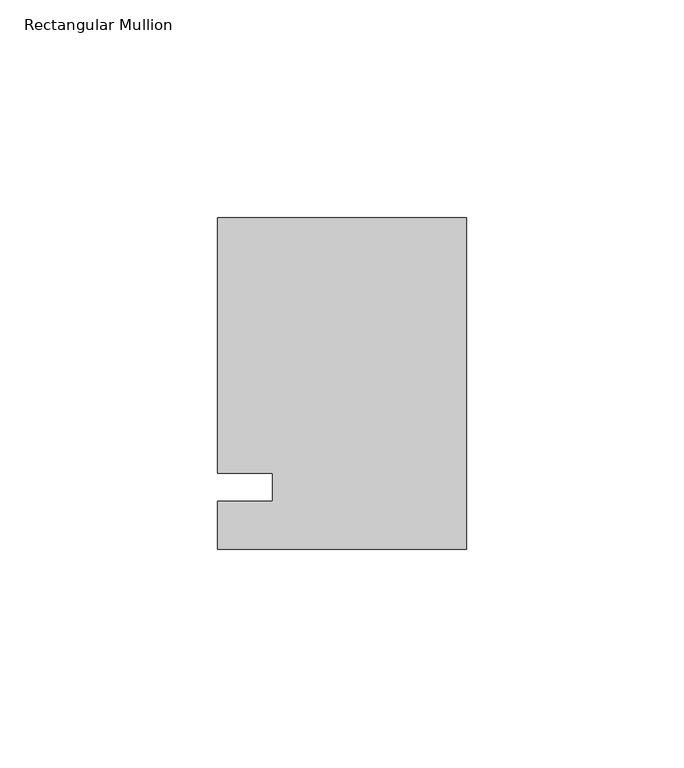
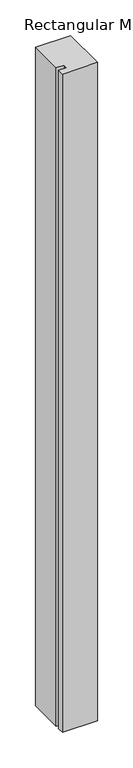
"""IFC4 building model written with IfcOpenShell, lengths in millimetres: member geometry, Rectangular Mullion."""

from ifc_helpers import new_model, si_unit, frame, origin, place, context, project, spatial, polyline, outline, extrude, source, transform, mapped, element, save


def rectangular_mullion_30190483(model_context):
    return source(origin(), model_context, "Body", "SweptSolid", [
        extrude(outline(polyline([(-57.15, 61.9125), (0.0, 61.9125), (0.0, -14.2875), (-57.15, -14.2875), (-57.15, -3.175), (-44.4482296, -3.175), (-44.4482296, 3.175), (-57.15, 3.175), (-57.15, 61.9125)])), frame((0.0, 0.0, -1130.3), z_axis=(0.0, 0.0, 1.0), x_axis=(1.0, 0.0, 0.0)), (0.0, 0.0, 1.0), 1130.3),
    ])


if __name__ == "__main__":
    model = new_model("IFC4")
    model_context = context("Model", 3, world=origin())
    ifc_project = project(units=[si_unit("LENGTHUNIT", "METRE", prefix="MILLI")], contexts=[model_context])
    site = spatial("IfcSite", under=ifc_project)
    building = spatial("IfcBuilding", under=site)
    placement = place(None, origin())
    rectangular_mullion_shape = rectangular_mullion_30190483(model_context)
    element("IfcMember", 1, ObjectType="Rectangular Mullion", at=placement, inside=building, context=model_context, shape_type="MappedRepresentation", body=[
        mapped(rectangular_mullion_shape, transform((0.0, 0.0, 0.0), x_axis=(1.0, 0.0, 0.0), y_axis=(0.0, 1.0, 0.0), z_axis=(0.0, 0.0, 1.0))),
    ])
    save(model, "model.ifc")
